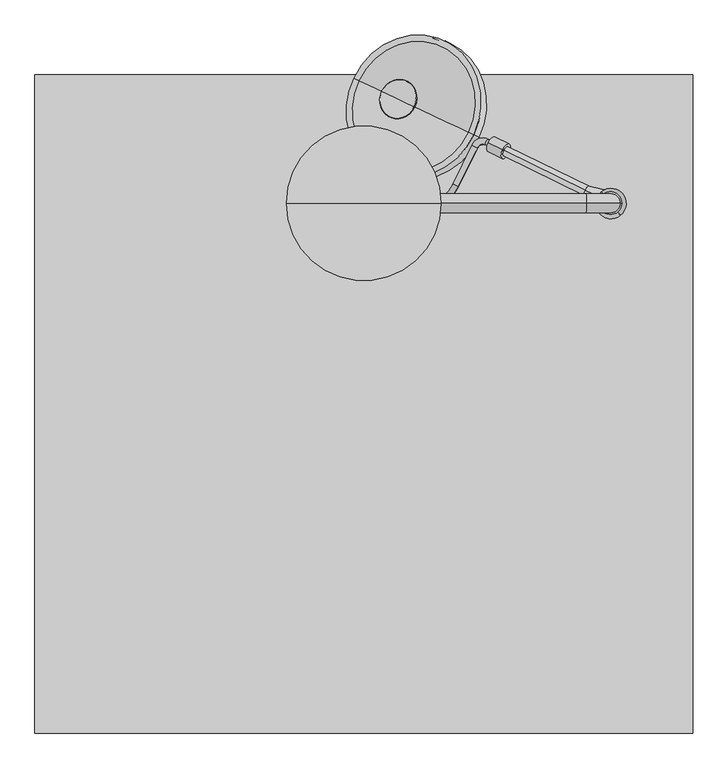
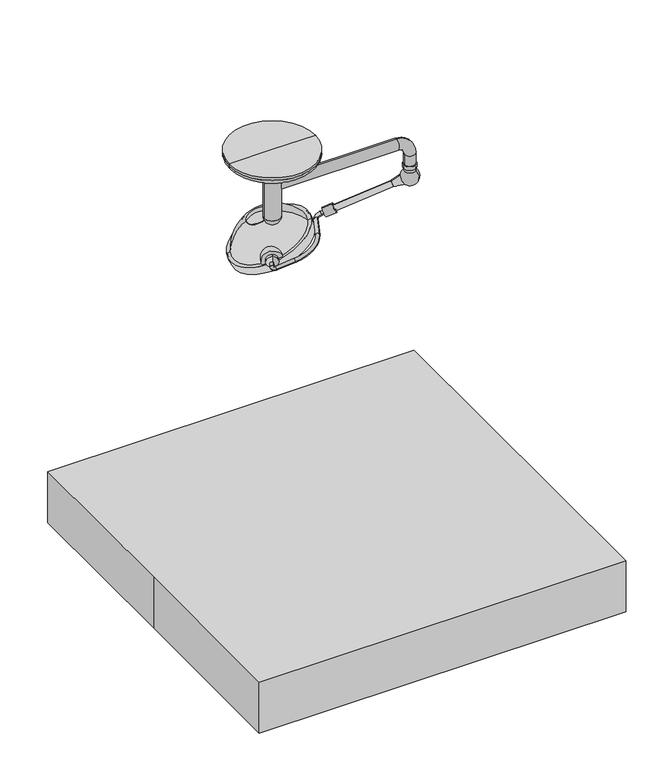
"""IFC4 building model written with IfcOpenShell, lengths in millimetres: proxy geometry."""

from ifc_helpers import new_model, si_unit, point, frame, frame_2d, origin, origin_with_axes, origin_2d, place, context, project, spatial, polyline, circle_curve, ellipse_curve, trimmed, segment, composite_curve, outline, extrude, source, transform, mapped, element, save
from ifc_brep_helpers import plane_surface, cylinder_surface, revolved_surface, advanced_brep


def specialty_equipment_fde39105(model_context):
    return source(origin(), model_context, "Body", "SolidModel", [
        advanced_brep(
        [(51.3241797, 908.0178384, 1699.7604265), (72.1798458, 897.8458503, 1710.0915373), (30.6483179, 865.6260395, 1699.7604265), (51.503984, 855.4540515, 1710.0915373), (56.3645035, 838.953373, 1715.2570926), (45.2298764, 816.1240043, 1715.2570926), (148.7448243, 765.6363908, 1766.5344952), (159.8794514, 788.4657596, 1766.5344952), (351.8212111, 864.410044, 1828.5211596), (372.6768772, 854.238056, 1838.8522704), (446.9378356, 1006.4955842, 1838.8522704), (426.0821694, 1016.6675722, 1828.5211596), (490.062756, 1041.9823337, 1849.1833811), (478.9281288, 1019.1529649, 1849.1833811), (557.8921303, 980.6396481, 1888.2991704), (569.0267574, 1003.4690168, 1888.2991704)],
        [
            (0, 1, circle_curve(frame((61.7520127, 902.9318443, 1704.9259819), z_axis=(0.4383711467890926, 0.8987940462991595, 0.0), x_axis=(0.8210892183528103, -0.4004719699107539, 0.4067366430758007)), 12.7)),
            (1, 0, circle_curve(frame((61.7520127, 902.9318443, 1704.9259819), z_axis=(0.4383711467890926, 0.8987940462991595, 0.0), x_axis=(0.8210892183528103, -0.4004719699107539, 0.4067366430758007)), 12.7)),
            (0, 2),
            (2, 3, circle_curve(frame((41.0761509, 860.5400455, 1704.9259819), z_axis=(0.4383711467890926, 0.8987940462991595, 0.0), x_axis=(0.8210892183528103, -0.4004719699107539, 0.4067366430758007)), 12.7)),
            (3, 1),
            (3, 2, circle_curve(frame((41.0761509, 860.5400455, 1704.9259819), z_axis=(0.4383711467890926, 0.8987940462991595, 0.0), x_axis=(0.8210892183528103, -0.4004719699107539, 0.4067366430758007)), 12.7)),
            (4, 3, circle_curve(frame((61.9318171, 850.3680574, 1715.2570926), z_axis=(0.36557247320823616, -0.17830160866628347, -0.9135454576426008), x_axis=(-0.8210892183528108, 0.40047196991075346, -0.40673664307580043)), 12.7)),
            (2, 5, circle_curve(frame((61.9318171, 850.3680574, 1715.2570926), z_axis=(-0.36557247320823616, 0.17830160866628347, 0.9135454576426008), x_axis=(-0.8210892183528108, 0.40047196991075346, -0.40673664307580043)), 38.1)),
            (5, 4, circle_curve(frame((50.79719, 827.5386887, 1715.2570926), z_axis=(-0.821089218352811, 0.400471969910753, -0.4067366430758003), x_axis=(0.4383711467890919, 0.8987940462991603, 0.0)), 12.7)),
            (4, 5, circle_curve(frame((50.79719, 827.5386887, 1715.2570926), z_axis=(-0.8210892183528203, 0.40047196991073386, -0.4067366430758003), x_axis=(0.4383711467890744, 0.8987940462991688, 0.0)), 12.7)),
            (5, 6),
            (6, 7, circle_curve(frame((154.3121378, 777.0510752, 1766.5344952), z_axis=(-0.8210892183528108, 0.40047196991075357, -0.40673664307580026), x_axis=(0.4383711467890922, 0.8987940462991598, 0.0)), 12.7)),
            (7, 4),
            (7, 6, circle_curve(frame((154.3121378, 777.0510752, 1766.5344952), z_axis=(-0.8210892183528108, 0.40047196991075357, -0.40673664307580026), x_axis=(0.4383711467890922, 0.8987940462991598, 0.0)), 12.7)),
            (8, 7, circle_curve(frame((226.6872142, 925.4419722, 1766.5344952), z_axis=(0.36557247320823616, -0.17830160866628347, -0.9135454576426008), x_axis=(-0.43837114678909817, -0.8987940462991569, 0.0)), 152.4)),
            (6, 9, circle_curve(frame((226.6872142, 925.4419722, 1766.5344952), z_axis=(-0.36557247320823616, 0.17830160866628347, 0.9135454576426008), x_axis=(-0.43837114678909817, -0.8987940462991569, 0.0)), 177.8)),
            (9, 8, circle_curve(frame((362.2490441, 859.32405, 1833.686715), z_axis=(-0.438371146789091, -0.8987940462991604, 0.0), x_axis=(-0.8210892183528118, 0.40047196991075223, -0.40673664307579993)), 12.7)),
            (8, 9, circle_curve(frame((362.2490441, 859.32405, 1833.686715), z_axis=(-0.4383711467890886, -0.8987940462991616, 0.0), x_axis=(-0.8210892183528131, 0.4004719699107496, -0.40673664307579993)), 12.7)),
            (9, 10),
            (10, 11, circle_curve(frame((436.5100025, 1011.5815782, 1833.686715), z_axis=(-0.43837114678909095, -0.8987940462991604, 0.0), x_axis=(-0.8210892183528117, 0.400471969910752, -0.4067366430758)), 12.7)),
            (11, 8),
            (11, 10, circle_curve(frame((436.5100025, 1011.5815782, 1833.686715), z_axis=(-0.43837114678909095, -0.8987940462991604, 0.0), x_axis=(-0.8210892183528117, 0.400471969910752, -0.4067366430758)), 12.7)),
            (12, 11, circle_curve(frame((467.7935017, 996.3235961, 1849.1833811), z_axis=(-0.36557247320823616, 0.17830160866628347, 0.9135454576426008), x_axis=(-0.8210892183528132, 0.40047196991074846, -0.40673664307580043)), 50.8)),
            (10, 13, circle_curve(frame((467.7935017, 996.3235961, 1849.1833811), z_axis=(0.36557247320823616, -0.17830160866628347, -0.9135454576426008), x_axis=(-0.8210892183528132, 0.40047196991074846, -0.40673664307580043)), 25.4)),
            (13, 12, circle_curve(frame((484.4954424, 1030.5676493, 1849.1833811), z_axis=(-0.8210892183528112, 0.4004719699107527, -0.4067366430758003), x_axis=(0.4383711467890915, 0.8987940462991605, 0.0)), 12.7)),
            (12, 13, circle_curve(frame((484.4954424, 1030.5676493, 1849.1833811), z_axis=(-0.8210892183528147, 0.40047196991074546, -0.4067366430758003), x_axis=(0.43837114678908495, 0.8987940462991637, 0.0)), 12.7)),
            (14, 15, circle_curve(frame((563.4594439, 992.0543325, 1888.2991704), z_axis=(0.8210892183528123, -0.4004719699107504, 0.4067366430757997), x_axis=(0.4383711467890893, 0.8987940462991613, 0.0)), 12.7)),
            (15, 14, circle_curve(frame((563.4594439, 992.0543325, 1888.2991704), z_axis=(0.8210892183528123, -0.4004719699107504, 0.4067366430757997), x_axis=(0.4383711467890893, 0.8987940462991613, 0.0)), 12.7)),
            (13, 14),
            (15, 12),
        ],
        [
            plane_surface(frame((671.2712366, 605.6494555, 181.7710423), z_axis=(0.43837114678909284, 0.8987940462991596, 0.0), x_axis=(-0.36557247320823627, 0.17830160866628333, 0.9135454576426009))),
            cylinder_surface(frame((61.7520127, 902.9318443, 1704.9259819), z_axis=(0.4383711467890927, 0.8987940462991597, 0.0), x_axis=(0.8210892183528103, -0.4004719699107539, 0.4067366430758007)), 12.7),
            revolved_surface(trimmed(ellipse_curve(frame((41.0761509, 860.5400455, 1704.9259819), z_axis=(0.4383711467890919, 0.8987940462991603, 0.0), x_axis=(0.8210892183528109, -0.4004719699107529, 0.4067366430758007)), 12.7, 12.7), [point((30.6483179, 865.6260395, 1699.7604265))], [point((51.503984, 855.4540515, 1710.0915373))], True, "CARTESIAN"), (671.451041, 553.0856686, 192.1021531), (-0.3655724732082362, 0.1783016086662835, 0.913545457642601)),
            revolved_surface(trimmed(ellipse_curve(frame((41.0761509, 860.5400455, 1704.9259819), z_axis=(0.4383711467890919, 0.8987940462991603, 0.0), x_axis=(0.8210892183528109, -0.4004719699107529, 0.4067366430758007)), 12.7, 12.7), [point((51.503984, 855.4540515, 1710.0915373))], [point((30.6483179, 865.6260395, 1699.7604265))], True, "CARTESIAN"), (671.451041, 553.0856686, 192.1021531), (-0.3655724732082362, 0.1783016086662835, 0.913545457642601)),
            cylinder_surface(frame((50.79719, 827.5386887, 1715.2570926), z_axis=(-0.8210892183528108, 0.40047196991075357, -0.40673664307580026), x_axis=(0.4383711467890922, 0.8987940462991598, 0.0)), 12.7),
            revolved_surface(trimmed(ellipse_curve(frame((154.3121378, 777.0510752, 1766.5344952), z_axis=(-0.821089218352808, 0.40047196991075945, -0.40673664307580043), x_axis=(0.4383711467890975, 0.8987940462991573, 0.0)), 12.7, 12.7), [point((148.7448243, 765.6363908, 1766.5344952))], [point((159.8794514, 788.4657596, 1766.5344952))], True, "CARTESIAN"), (836.2064381, 628.1595834, 243.3795556), (-0.3655724732082362, 0.1783016086662835, 0.913545457642601)),
            revolved_surface(trimmed(ellipse_curve(frame((154.3121378, 777.0510752, 1766.5344952), z_axis=(-0.821089218352808, 0.40047196991075945, -0.40673664307580043), x_axis=(0.4383711467890975, 0.8987940462991573, 0.0)), 12.7, 12.7), [point((159.8794514, 788.4657596, 1766.5344952))], [point((148.7448243, 765.6363908, 1766.5344952))], True, "CARTESIAN"), (836.2064381, 628.1595834, 243.3795556), (-0.3655724732082362, 0.1783016086662835, 0.913545457642601)),
            cylinder_surface(frame((362.2490441, 859.32405, 1833.686715), z_axis=(-0.43837114678909106, -0.8987940462991606, 0.0), x_axis=(-0.8210892183528117, 0.400471969910752, -0.4067366430758)), 12.7),
            revolved_surface(trimmed(ellipse_curve(frame((436.5100025, 1011.5815782, 1833.686715), z_axis=(-0.4383711467890874, -0.8987940462991625, 0.0), x_axis=(-0.8210892183528137, 0.400471969910748, -0.4067366430758)), 12.7, 12.7), [point((446.9378356, 1006.4955842, 1838.8522704))], [point((426.0821694, 1016.6675722, 1828.5211596))], True, "CARTESIAN"), (1077.3127256, 699.0412073, 326.0284415), (0.3655724732082362, -0.1783016086662835, -0.913545457642601)),
            revolved_surface(trimmed(ellipse_curve(frame((436.5100025, 1011.5815782, 1833.686715), z_axis=(-0.4383711467890874, -0.8987940462991625, 0.0), x_axis=(-0.8210892183528137, 0.400471969910748, -0.4067366430758)), 12.7, 12.7), [point((426.0821694, 1016.6675722, 1828.5211596))], [point((446.9378356, 1006.4955842, 1838.8522704))], True, "CARTESIAN"), (1077.3127256, 699.0412073, 326.0284415), (0.3655724732082362, -0.1783016086662835, -0.913545457642601)),
            plane_surface(frame((1172.9786678, 694.7719436, 365.1442308), z_axis=(0.8210892183528122, -0.400471969910751, 0.4067366430757998), x_axis=(-0.3655724732082356, 0.1783016086662833, 0.9135454576426012))),
            cylinder_surface(frame((484.4954424, 1030.5676493, 1849.1833811), z_axis=(-0.8210892183528126, 0.4004719699107505, -0.4067366430757998), x_axis=(0.4383711467890893, 0.8987940462991613, 0.0)), 12.7),
        ],
        [
            (0, [[1, 2]]),
            (1, [[-1, 3, 4, 5]]),
            (1, [[-2, -5, 6, -3]]),
            (2, [[7, -4, 8, 9]]),
            (3, [[-8, -6, -7, 10]]),
            (4, [[-9, 11, 12, 13]]),
            (4, [[-10, -13, 14, -11]]),
            (5, [[15, -12, 16, 17]]),
            (6, [[-16, -14, -15, 18]]),
            (7, [[-17, 19, 20, 21]]),
            (7, [[-18, -21, 22, -19]]),
            (8, [[23, -20, 24, 25]]),
            (9, [[-24, -22, -23, 26]]),
            (10, [[27, 28]]),
            (11, [[-25, 29, -28, 30]]),
            (11, [[-26, -30, -27, -29]]),
        ],
    ),
        advanced_brep(
        [(70.9853036, 912.17035, 1662.093259), (70.9853036, 912.17035, 1743.3108067), (79.9012214, 931.0005545, 1743.3108067), (79.9012214, 931.0005545, 1662.093259), (59.9841849, 888.936251, 1702.7020328), (79.9012214, 931.0005545, 1702.7020328)],
        [
            (0, 1, circle_curve(frame((70.9853036, 912.17035, 1702.7020328), z_axis=(0.4279431442574093, 0.903805656810734, 0.0), x_axis=(0.0, 0.0, 1.0)), 40.6087738)),
            (1, 2),
            (2, 3, circle_curve(frame((79.9012214, 931.0005545, 1702.7020328), z_axis=(-0.4279431442574093, -0.903805656810734, 0.0), x_axis=(0.0, 0.0, 1.0)), 40.6087738)),
            (3, 0),
            (1, 0, circle_curve(frame((70.9853036, 912.17035, 1702.7020328), z_axis=(0.4279431442574093, 0.903805656810734, 0.0), x_axis=(0.0, 0.0, 1.0)), 40.6087738)),
            (3, 2, circle_curve(frame((79.9012214, 931.0005545, 1702.7020328), z_axis=(-0.4279431442574093, -0.903805656810734, 0.0), x_axis=(0.0, 0.0, 1.0)), 40.6087738)),
            (4, 1, circle_curve(frame((83.4268503, 938.4465982, 1696.4653606), z_axis=(-0.9038056568107339, 0.42794314425740954, 0.0), x_axis=(0.4279431442574097, 0.9038056568107338, 0.0)), 55.1337385)),
            (0, 4, circle_curve(frame((83.4268503, 938.4465982, 1708.9387051), z_axis=(-0.9038056568107343, 0.42794314425740876, 0.0), x_axis=(0.4279431442574089, 0.9038056568107342, 0.0)), 55.1337385)),
            (2, 5),
            (5, 3),
        ],
        [
            cylinder_surface(frame((79.9012214, 931.0005545, 1702.7020328), z_axis=(-0.4279431442574093, -0.903805656810734, 0.0), x_axis=(0.0, 0.0, 1.0)), 40.6087738),
            revolved_surface(trimmed(ellipse_curve(frame((83.4268503, 938.4465982, 1696.4653606), z_axis=(0.9038056568107339, -0.42794314425740954, 0.0), x_axis=(0.4279431442574097, 0.9038056568107338, 0.0)), 55.1337385, 55.1337385), [point((70.9853036, 912.17035, 1743.3108067))], [point((59.9841849, 888.936251, 1702.7020328))], True, "CARTESIAN"), (79.9012214, 931.0005545, 1702.7020328), (-0.4279431442574093, -0.903805656810734, 0.0)),
            revolved_surface(trimmed(ellipse_curve(frame((83.4268503, 938.4465982, 1696.4653606), z_axis=(0.9038056568107339, -0.4279431442574097, 0.0), x_axis=(0.42794314425740987, 0.9038056568107338, 0.0)), 55.1337385, 55.1337385), [point((70.9853036, 912.17035, 1743.3108067))], [point((59.9841849, 888.936251, 1702.7020328))], True, "CARTESIAN"), (79.9012214, 931.0005545, 1702.7020328), (-0.4279431442574093, -0.903805656810734, 0.0)),
            plane_surface(frame((79.9012214, 931.0005545, 1702.7020328), z_axis=(0.42794314425740915, 0.9038056568107341, 0.0), x_axis=(0.0, 0.0, 1.0))),
        ],
        [
            (0, [[1, 2, 3, 4]]),
            (0, [[5, -4, 6, -2]]),
            (1, [[7, -1, 8]]),
            (2, [[-8, -5, -7]]),
            (3, [[-3, 9, 10]]),
            (3, [[-6, -10, -9]]),
        ],
    ),
        advanced_brep(
        [(198.2891405, 1170.0305938, 1882.6946884), (70.3964825, 1230.5865173, 1819.6927814), (123.8504881, 1205.2765681, 1877.268084), (200.9060117, 1168.7915308, 1880.0876662), (70.3964825, 1230.5865173, 1815.7966478), (129.8474904, 1202.4370461, 1862.3650044)],
        [
            (0, 1, circle_curve(frame((134.3428115, 1200.3085555, 1851.1937349), z_axis=(-0.367610878844116, 0.17406015792256127, 0.9135454576426013), x_axis=(-0.825667552371134, 0.3909455155656486, -0.4067366430757995)), 77.4480344)),
            (1, 2, circle_curve(frame((222.0261973, 1158.7913294, 1706.5205002), z_axis=(0.42794314425740937, 0.903805656810734, 0.0), x_axis=(0.903805656810734, -0.4279431442574095, 0.0)), 202.3711557)),
            (2, 0, circle_curve(frame((172.8421817, 1182.07948, 1682.2916913), z_axis=(0.4279431442574066, 0.9038056568107353, 0.0), x_axis=(-0.6047640271723351, 0.28634985560407467, -0.7431448254773929)), 202.3711557)),
            (1, 0, circle_curve(frame((134.3428115, 1200.3085555, 1851.1937349), z_axis=(-0.367610878844116, 0.17406015792256127, 0.9135454576426013), x_axis=(-0.825667552371134, 0.3909455155656486, -0.4067366430757995)), 77.4480344)),
            (3, 4, circle_curve(frame((135.6512471, 1199.689024, 1847.942157), z_axis=(-0.367610878844116, 0.17406015792256127, 0.9135454576426013), x_axis=(-0.825667552371134, 0.3909455155656486, -0.4067366430757995)), 79.0327347)),
            (4, 1),
            (0, 3),
            (4, 3, circle_curve(frame((135.6512471, 1199.689024, 1847.942157), z_axis=(-0.367610878844116, 0.17406015792256127, 0.9135454576426013), x_axis=(-0.825667552371134, 0.3909455155656486, -0.4067366430757995)), 79.0327347)),
            (5, 4, circle_curve(frame((246.9439851, 1146.9930004, 1609.6195886), z_axis=(-0.42794314425740937, -0.903805656810734, 0.0), x_axis=(0.903805656810734, -0.4279431442574095, 0.0)), 284.0173877)),
            (3, 5, circle_curve(frame((221.2532479, 1159.1573133, 1596.9639329), z_axis=(-0.4279431442574066, -0.9038056568107353, 0.0), x_axis=(-0.6047640271723351, 0.28634985560407467, -0.7431448254773929)), 284.0173877)),
        ],
        [
            revolved_surface(trimmed(ellipse_curve(frame((222.0261973, 1158.7913294, 1706.5205002), z_axis=(-0.42794314425740937, -0.903805656810734, 0.0), x_axis=(0.903805656810734, -0.4279431442574095, 0.0)), 202.3711557, 202.3711557), [point((123.8504881, 1205.2765681, 1877.268084))], [point((70.3964825, 1230.5865173, 1819.6927814))], True, "CARTESIAN"), (169.8512246, 1183.495669, 1762.9521965), (0.367610878844116, -0.17406015792256127, -0.9135454576426013)),
            revolved_surface(trimmed(ellipse_curve(frame((222.0261973, 1158.7913294, 1706.5205002), z_axis=(-0.42794314425740965, -0.9038056568107342, 0.0), x_axis=(0.903805656810734, -0.4279431442574096, 0.0)), 202.3711557, 202.3711557), [point((123.8504881, 1205.2765681, 1877.268084))], [point((70.3964825, 1230.5865173, 1819.6927814))], True, "CARTESIAN"), (169.8512246, 1183.495669, 1762.9521965), (0.367610878844116, -0.17406015792256127, -0.9135454576426013)),
            revolved_surface(polyline([(70.3964825, 1230.5865173, 1819.6927814), (70.3964825, 1230.5865173, 1815.7966478)]), (169.8512246, 1183.495669, 1762.9521965), (0.367610878844116, -0.17406015792256127, -0.9135454576426013)),
            revolved_surface(trimmed(ellipse_curve(frame((246.9439851, 1146.9930004, 1609.6195886), z_axis=(0.42794314425740937, 0.903805656810734, 0.0), x_axis=(0.903805656810734, -0.4279431442574095, 0.0)), 284.0173877, 284.0173877), [point((70.3964825, 1230.5865173, 1815.7966478))], [point((129.8474904, 1202.4370461, 1862.3650044))], True, "CARTESIAN"), (169.8512246, 1183.495669, 1762.9521965), (0.367610878844116, -0.17406015792256127, -0.9135454576426013)),
            revolved_surface(trimmed(ellipse_curve(frame((246.9439851, 1146.9930004, 1609.6195886), z_axis=(0.42794314425740965, 0.9038056568107342, 0.0), x_axis=(0.903805656810734, -0.4279431442574096, 0.0)), 284.0173877, 284.0173877), [point((70.3964825, 1230.5865173, 1815.7966478))], [point((129.8474904, 1202.4370461, 1862.3650044))], True, "CARTESIAN"), (169.8512246, 1183.495669, 1762.9521965), (0.367610878844116, -0.17406015792256127, -0.9135454576426013)),
        ],
        [
            (0, [[1, 2, 3]]),
            (1, [[4, -3, -2]]),
            (2, [[5, 6, -1, 7]]),
            (2, [[8, -7, -4, -6]]),
            (3, [[9, -5, 10]]),
            (4, [[-10, -8, -9]]),
        ],
    ),
        advanced_brep(
        [(266.4821549, 1137.741868, 1522.8158117), (276.9681328, 1132.77686, 1527.9813671), (255.996177, 1142.7068761, 1517.6502563), (263.0629437, 1139.3608311, 1507.6425198), (278.9613242, 1131.8331033, 1515.4743086), (271.0121339, 1135.5969672, 1511.5584142)],
        [
            (0, 1),
            (1, 2, circle_curve(frame((266.4821549, 1137.741868, 1522.8158117), z_axis=(-0.3676108788441159, 0.1740601579225613, 0.9135454576426013), x_axis=(0.825667552371134, -0.3909455155656486, 0.40673664307579943)), 12.7)),
            (2, 0),
            (2, 1, circle_curve(frame((266.4821549, 1137.741868, 1522.8158117), z_axis=(-0.3676108788441159, 0.1740601579225613, 0.9135454576426013), x_axis=(0.825667552371134, -0.3909455155656486, 0.40673664307579943)), 12.7)),
            (3, 4, circle_curve(frame((271.0121339, 1135.5969672, 1511.5584142), z_axis=(0.3676108788441159, -0.1740601579225613, -0.9135454576426013), x_axis=(0.825667552371134, -0.3909455155656486, 0.40673664307579943)), 9.6275919)),
            (4, 5),
            (5, 3),
            (4, 3, circle_curve(frame((271.0121339, 1135.5969672, 1511.5584142), z_axis=(0.3676108788441159, -0.1740601579225613, -0.9135454576426013), x_axis=(0.825667552371134, -0.3909455155656486, 0.40673664307579943)), 9.6275919)),
            (1, 4),
            (3, 2),
        ],
        [
            plane_surface(frame((266.4821549, 1137.741868, 1522.8158117), z_axis=(-0.367610878844116, 0.17406015792256121, 0.9135454576426014), x_axis=(0.8256675523711339, -0.39094551556564855, 0.4067366430757994))),
            plane_surface(frame((271.0121339, 1135.5969672, 1511.5584142), z_axis=(0.367610878844116, -0.17406015792256121, -0.9135454576426014), x_axis=(0.8256675523711339, -0.39094551556564855, 0.4067366430757994))),
            revolved_surface(polyline([(278.9613242, 1131.8331033, 1515.4743086), (276.9681328, 1132.77686, 1527.9813671)]), (229.1328896, 1155.4263801, 1615.6320302), (-0.3676108788441159, 0.1740601579225613, 0.9135454576426013)),
        ],
        [
            (0, [[1, 2, 3]]),
            (0, [[-3, 4, -1]]),
            (1, [[5, 6, 7]]),
            (1, [[8, -7, -6]]),
            (2, [[-2, 9, -5, 10]]),
            (2, [[-4, -10, -8, -9]]),
        ],
    ),
        advanced_brep(
        [(229.1328896, 1155.4263801, 1615.6320302), (244.8618565, 1147.978868, 1623.3803632), (213.4039227, 1162.8738921, 1607.8836971), (250.753188, 1145.1893801, 1515.0674786), (282.2111217, 1130.2943559, 1530.5641447), (266.4821549, 1137.741868, 1522.8158117)],
        [
            (0, 1),
            (1, 2, circle_curve(frame((229.1328896, 1155.4263801, 1615.6320302), z_axis=(-0.3676108788441159, 0.1740601579225613, 0.9135454576426013), x_axis=(0.825667552371134, -0.3909455155656486, 0.40673664307579943)), 19.05)),
            (2, 0),
            (2, 1, circle_curve(frame((229.1328896, 1155.4263801, 1615.6320302), z_axis=(-0.3676108788441159, 0.1740601579225613, 0.9135454576426013), x_axis=(0.825667552371134, -0.3909455155656486, 0.40673664307579943)), 19.05)),
            (3, 4, circle_curve(frame((266.4821549, 1137.741868, 1522.8158117), z_axis=(0.3676108788441159, -0.1740601579225613, -0.9135454576426013), x_axis=(0.825667552371134, -0.3909455155656486, 0.40673664307579943)), 19.05)),
            (4, 5),
            (5, 3),
            (4, 3, circle_curve(frame((266.4821549, 1137.741868, 1522.8158117), z_axis=(0.3676108788441159, -0.1740601579225613, -0.9135454576426013), x_axis=(0.825667552371134, -0.3909455155656486, 0.40673664307579943)), 19.05)),
            (1, 4),
            (3, 2),
        ],
        [
            plane_surface(frame((229.1328896, 1155.4263801, 1615.6320302), z_axis=(-0.367610878844116, 0.17406015792256121, 0.9135454576426014), x_axis=(0.8256675523711339, -0.39094551556564855, 0.4067366430757994))),
            plane_surface(frame((266.4821549, 1137.741868, 1522.8158117), z_axis=(0.367610878844116, -0.17406015792256121, -0.9135454576426014), x_axis=(0.8256675523711339, -0.39094551556564855, 0.4067366430757994))),
            cylinder_surface(frame((229.1328896, 1155.4263801, 1615.6320302), z_axis=(-0.3676108788441159, 0.1740601579225613, 0.9135454576426013), x_axis=(0.825667552371134, -0.3909455155656486, 0.40673664307579943)), 19.05),
        ],
        [
            (0, [[1, 2, 3]]),
            (0, [[-3, 4, -1]]),
            (1, [[5, 6, 7]]),
            (1, [[8, -7, -6]]),
            (2, [[-2, 9, -5, 10]]),
            (2, [[-4, -10, -8, -9]]),
        ],
    ),
        advanced_brep(
        [(222.1299023, 1158.7422261, 1633.0350712), (258.830825, 1141.3646979, 1651.1145149), (185.4289796, 1176.1197542, 1614.9556274), (192.4319669, 1172.8039082, 1597.5525864), (265.8338123, 1138.0488519, 1633.711474), (229.1328896, 1155.4263801, 1615.6320302)],
        [
            (0, 1),
            (1, 2, circle_curve(frame((222.1299023, 1158.7422261, 1633.0350712), z_axis=(-0.36761087884411536, 0.17406015792256102, 0.9135454576426016), x_axis=(0.8256675523711342, -0.3909455155656487, 0.4067366430757988)), 44.45)),
            (2, 0),
            (2, 1, circle_curve(frame((222.1299023, 1158.7422261, 1633.0350712), z_axis=(-0.36761087884411536, 0.17406015792256102, 0.9135454576426016), x_axis=(0.8256675523711342, -0.3909455155656487, 0.4067366430757988)), 44.45)),
            (3, 4, circle_curve(frame((229.1328896, 1155.4263801, 1615.6320302), z_axis=(0.36761087884411536, -0.17406015792256102, -0.9135454576426016), x_axis=(0.8256675523711342, -0.3909455155656487, 0.4067366430757988)), 44.45)),
            (4, 5),
            (5, 3),
            (4, 3, circle_curve(frame((229.1328896, 1155.4263801, 1615.6320302), z_axis=(0.36761087884411536, -0.17406015792256102, -0.9135454576426016), x_axis=(0.8256675523711342, -0.3909455155656487, 0.4067366430757988)), 44.45)),
            (1, 4),
            (3, 2),
        ],
        [
            plane_surface(frame((222.1299023, 1158.7422261, 1633.0350712), z_axis=(-0.3676108788441154, 0.17406015792256094, 0.9135454576426016), x_axis=(0.8256675523711341, -0.39094551556564866, 0.40673664307579876))),
            plane_surface(frame((229.1328896, 1155.4263801, 1615.6320302), z_axis=(0.3676108788441154, -0.17406015792256094, -0.9135454576426016), x_axis=(0.8256675523711341, -0.39094551556564866, 0.40673664307579876))),
            cylinder_surface(frame((222.1299023, 1158.7422261, 1633.0350712), z_axis=(-0.36761087884411536, 0.17406015792256102, 0.9135454576426016), x_axis=(0.8256675523711342, -0.3909455155656487, 0.4067366430757988)), 44.45),
        ],
        [
            (0, [[1, 2, 3]]),
            (0, [[-3, 4, -1]]),
            (1, [[5, 6, 7]]),
            (1, [[8, -7, -6]]),
            (2, [[-2, 9, -5, 10]]),
            (2, [[-4, -10, -8, -9]]),
        ],
    ),
        advanced_brep(
        [(217.8648709, 1160.7616768, 1643.6340505), (265.0517715, 1138.4191406, 1666.8790497), (170.6779703, 1183.104213, 1620.3890514), (179.2080332, 1179.0653116, 1611.8910927), (265.0517715, 1138.4191406, 1654.1790497), (222.1299023, 1158.7422261, 1633.0350712)],
        [
            (0, 1),
            (1, 2, circle_curve(frame((217.8648709, 1160.7616768, 1643.6340505), z_axis=(-0.36761087884411614, 0.1740601579225614, 0.9135454576426012), x_axis=(0.8256675523711339, -0.39094551556564855, 0.4067366430757997)), 57.15)),
            (2, 0),
            (2, 1, circle_curve(frame((217.8648709, 1160.7616768, 1643.6340505), z_axis=(-0.36761087884411614, 0.1740601579225614, 0.9135454576426012), x_axis=(0.8256675523711339, -0.39094551556564855, 0.4067366430757997)), 57.15)),
            (3, 4, circle_curve(frame((222.1299023, 1158.7422261, 1633.0350712), z_axis=(0.36761087884411614, -0.1740601579225614, -0.9135454576426012), x_axis=(0.8256675523711339, -0.39094551556564855, 0.4067366430757997)), 51.9844446)),
            (4, 5),
            (5, 3),
            (4, 3, circle_curve(frame((222.1299023, 1158.7422261, 1633.0350712), z_axis=(0.36761087884411614, -0.1740601579225614, -0.9135454576426012), x_axis=(0.8256675523711339, -0.39094551556564855, 0.4067366430757997)), 51.9844446)),
            (1, 4),
            (3, 2),
        ],
        [
            plane_surface(frame((217.8648709, 1160.7616768, 1643.6340505), z_axis=(-0.36761087884411625, 0.17406015792256133, 0.9135454576426013), x_axis=(0.8256675523711338, -0.3909455155656485, 0.40673664307579965))),
            plane_surface(frame((222.1299023, 1158.7422261, 1633.0350712), z_axis=(0.36761087884411625, -0.17406015792256133, -0.9135454576426013), x_axis=(0.8256675523711338, -0.3909455155656485, 0.40673664307579965))),
            revolved_surface(polyline([(265.0517715, 1138.4191406, 1654.1790497), (265.0517715, 1138.4191406, 1666.8790497)]), (217.8648709, 1160.7616768, 1643.6340505), (-0.36761087884411614, 0.1740601579225614, 0.9135454576426012)),
        ],
        [
            (0, [[1, 2, 3]]),
            (0, [[-3, 4, -1]]),
            (1, [[5, 6, 7]]),
            (1, [[8, -7, -6]]),
            (2, [[-2, 9, -5, 10]]),
            (2, [[-4, -10, -8, -9]]),
        ],
    ),
        extrude(outline(composite_curve([segment(trimmed(circle_curve(frame_2d((0.0, -69.9387006)), 69.9387006), [point((25.1937137, -4.6953207))], [point((-31.6273953, -132.3176211))], False, "CARTESIAN"), True, "CONTINUOUS"), segment(polyline([(-31.6273953, -132.3176211), (25.1937137, -4.6953207)]), True, "CONTINUOUS")], self_intersect=False)), frame((144.6400085, 900.3473716, 1699.0600142), z_axis=(0.42794314425740915, 0.9038056568107341, 0.0), x_axis=(0.0, 0.0, 1.0)), (0.0, 0.0, 1.0), 84.2600986),
        advanced_brep(
        [(411.8184564, 1068.9265498, 1801.7370584), (-18.1066381, 1272.4918798, 1589.9492884), (129.8408016, 1202.4402132, 1862.3816266), (406.0906916, 1071.6385905, 1798.9154726), (-12.3788733, 1269.7798391, 1592.7708742), (132.17953, 1201.3328482, 1856.5696802)],
        [
            (0, 1, circle_curve(frame((196.8559092, 1170.7092148, 1695.8431734), z_axis=(-0.3676108788441161, 0.17406015792256135, 0.9135454576426013), x_axis=(-0.825667552371134, 0.3909455155656486, -0.4067366430757996)), 260.35)),
            (1, 2, circle_curve(frame((256.5953432, 1142.4231767, 1592.718951), z_axis=(0.4279431442574095, 0.903805656810734, 0.0), x_axis=(0.9038056568107341, -0.4279431442574096, 0.0)), 303.9518334)),
            (2, 0, circle_curve(frame((226.1466857, 1156.8403184, 1577.7194701), z_axis=(0.4279431442574066, 0.9038056568107353, 0.0), x_axis=(-0.6047640271723351, 0.2863498556040747, -0.7431448254773931)), 303.9518334)),
            (1, 0, circle_curve(frame((196.8559092, 1170.7092148, 1695.8431734), z_axis=(-0.3676108788441161, 0.17406015792256135, 0.9135454576426013), x_axis=(-0.825667552371134, 0.3909455155656486, -0.4067366430757996)), 260.35)),
            (3, 4, circle_curve(frame((196.8559092, 1170.7092148, 1695.8431734), z_axis=(-0.3676108788441161, 0.17406015792256135, 0.9135454576426013), x_axis=(-0.825667552371134, 0.3909455155656486, -0.4067366430757996)), 253.412868)),
            (4, 1),
            (0, 3),
            (4, 3, circle_curve(frame((196.8559092, 1170.7092148, 1695.8431734), z_axis=(-0.3676108788441161, 0.17406015792256135, 0.9135454576426013), x_axis=(-0.825667552371134, 0.3909455155656486, -0.4067366430757996)), 253.412868)),
            (5, 4, circle_curve(frame((256.5953432, 1142.4231767, 1592.718951), z_axis=(-0.4279431442574095, -0.903805656810734, 0.0), x_axis=(0.9038056568107341, -0.4279431442574096, 0.0)), 297.6018334)),
            (3, 5, circle_curve(frame((226.1466857, 1156.8403184, 1577.7194701), z_axis=(-0.4279431442574066, -0.9038056568107353, 0.0), x_axis=(-0.6047640271723351, 0.2863498556040747, -0.7431448254773931)), 297.6018334)),
        ],
        [
            revolved_surface(trimmed(ellipse_curve(frame((256.5953432, 1142.4231767, 1592.718951), z_axis=(-0.4279431442574095, -0.903805656810734, 0.0), x_axis=(0.9038056568107341, -0.4279431442574096, 0.0)), 303.9518334, 303.9518334), [point((129.8408016, 1202.4402132, 1862.3816266))], [point((-18.1066381, 1272.4918798, 1589.9492884))], True, "CARTESIAN"), (196.8559092, 1170.7092148, 1695.8431734), (0.3676108788441161, -0.17406015792256135, -0.9135454576426013)),
            revolved_surface(trimmed(ellipse_curve(frame((256.5953432, 1142.4231767, 1592.718951), z_axis=(-0.4279431442574094, -0.9038056568107338, 0.0), x_axis=(0.9038056568107341, -0.42794314425740954, 0.0)), 303.9518334, 303.9518334), [point((129.8408016, 1202.4402132, 1862.3816266))], [point((-18.1066381, 1272.4918798, 1589.9492884))], True, "CARTESIAN"), (196.8559092, 1170.7092148, 1695.8431734), (0.3676108788441161, -0.17406015792256135, -0.9135454576426013)),
            plane_surface(frame((196.8559092, 1170.7092148, 1695.8431734), z_axis=(0.36761087884411614, -0.17406015792256127, -0.9135454576426014), x_axis=(-0.8256675523711339, 0.39094551556564855, -0.40673664307579954))),
            revolved_surface(trimmed(ellipse_curve(frame((256.5953432, 1142.4231767, 1592.718951), z_axis=(0.4279431442574095, 0.903805656810734, 0.0), x_axis=(0.9038056568107341, -0.4279431442574096, 0.0)), 297.6018334, 297.6018334), [point((-12.3788733, 1269.7798391, 1592.7708742))], [point((132.17953, 1201.3328482, 1856.5696802))], True, "CARTESIAN"), (196.8559092, 1170.7092148, 1695.8431734), (0.3676108788441161, -0.17406015792256135, -0.9135454576426013)),
            revolved_surface(trimmed(ellipse_curve(frame((256.5953432, 1142.4231767, 1592.718951), z_axis=(0.4279431442574094, 0.9038056568107338, 0.0), x_axis=(0.9038056568107341, -0.42794314425740954, 0.0)), 297.6018334, 297.6018334), [point((-12.3788733, 1269.7798391, 1592.7708742))], [point((132.17953, 1201.3328482, 1856.5696802))], True, "CARTESIAN"), (196.8559092, 1170.7092148, 1695.8431734), (0.3676108788441161, -0.17406015792256135, -0.9135454576426013)),
        ],
        [
            (0, [[1, 2, 3]]),
            (1, [[4, -3, -2]]),
            (2, [[5, 6, -1, 7]]),
            (2, [[8, -7, -4, -6]]),
            (3, [[9, -5, 10]]),
            (4, [[-10, -8, -9]]),
        ],
    ),
        advanced_brep(
        [(453.799374, 1049.0489957, 1759.8590463), (-18.0696322, 1272.4743578, 1527.4090547), (-39.0785939, 1282.4218959, 1579.6181777), (432.7904123, 1058.9965337, 1812.0681692), (448.556385, 1051.5314997, 1757.2762686), (-12.8266432, 1269.9918538, 1529.9918324), (429.8817524, 1060.3737557, 1803.6843778), (-31.5012759, 1278.8341098, 1576.3999417), (199.1902382, 1169.6039328, 1690.0421598), (196.8559092, 1170.7092148, 1695.8431734)],
        [
            (0, 1, circle_curve(frame((217.8648709, 1160.7616768, 1643.6340505), z_axis=(-0.3676108788441158, 0.1740601579225612, 0.9135454576426014), x_axis=(-0.8256675523711341, 0.39094551556564866, -0.4067366430757993)), 285.75)),
            (1, 2),
            (2, 3, circle_curve(frame((196.8559092, 1170.7092148, 1695.8431734), z_axis=(0.3676108788441158, -0.1740601579225612, -0.9135454576426014), x_axis=(-0.8256675523711341, 0.39094551556564866, -0.4067366430757993)), 285.75)),
            (3, 0),
            (1, 0, circle_curve(frame((217.8648709, 1160.7616768, 1643.6340505), z_axis=(-0.3676108788441158, 0.1740601579225612, 0.9135454576426014), x_axis=(-0.8256675523711341, 0.39094551556564866, -0.4067366430757993)), 285.75)),
            (3, 2, circle_curve(frame((196.8559092, 1170.7092148, 1695.8431734), z_axis=(0.3676108788441158, -0.1740601579225612, -0.9135454576426014), x_axis=(-0.8256675523711341, 0.39094551556564866, -0.4067366430757993)), 285.75)),
            (4, 5, circle_curve(frame((217.8648709, 1160.7616768, 1643.6340505), z_axis=(-0.3676108788441158, 0.1740601579225612, 0.9135454576426014), x_axis=(-0.8256675523711341, 0.39094551556564866, -0.4067366430757993)), 279.4)),
            (5, 1),
            (0, 4),
            (5, 4, circle_curve(frame((217.8648709, 1160.7616768, 1643.6340505), z_axis=(-0.3676108788441158, 0.1740601579225612, 0.9135454576426014), x_axis=(-0.8256675523711341, 0.39094551556564866, -0.4067366430757993)), 279.4)),
            (6, 7, circle_curve(frame((199.1902382, 1169.6039328, 1690.0421598), z_axis=(-0.3676108788441158, 0.1740601579225612, 0.9135454576426014), x_axis=(-0.8256675523711341, 0.39094551556564866, -0.4067366430757993)), 279.4)),
            (7, 5),
            (4, 6),
            (7, 6, circle_curve(frame((199.1902382, 1169.6039328, 1690.0421598), z_axis=(-0.3676108788441158, 0.1740601579225612, 0.9135454576426014), x_axis=(-0.8256675523711341, 0.39094551556564866, -0.4067366430757993)), 279.4)),
            (8, 7),
            (6, 8),
            (2, 9),
            (9, 3),
        ],
        [
            cylinder_surface(frame((217.8648709, 1160.7616768, 1643.6340505), z_axis=(0.3676108788441158, -0.1740601579225612, -0.9135454576426014), x_axis=(-0.8256675523711341, 0.39094551556564866, -0.4067366430757993)), 285.75),
            plane_surface(frame((217.8648709, 1160.7616768, 1643.6340505), z_axis=(0.3676108788441158, -0.17406015792256113, -0.9135454576426014), x_axis=(-0.8256675523711339, 0.39094551556564855, -0.4067366430757992))),
            revolved_surface(polyline([(-12.826643216696848, 1269.991853841562, 1529.9918323853622), (-31.501275901114123, 1278.8341098825588, 1576.3999417308632)]), (217.8648709, 1160.7616768, 1643.6340505), (0.3676108788441158, -0.1740601579225612, -0.9135454576426014)),
            plane_surface(frame((199.1902382, 1169.6039328, 1690.0421598), z_axis=(0.3676108788441158, -0.17406015792256113, -0.9135454576426014), x_axis=(-0.8256675523711339, 0.39094551556564855, -0.4067366430757992))),
            plane_surface(frame((196.8559092, 1170.7092148, 1695.8431734), z_axis=(-0.3676108788441158, 0.17406015792256113, 0.9135454576426014), x_axis=(-0.8256675523711339, 0.39094551556564855, -0.4067366430757992))),
        ],
        [
            (0, [[1, 2, 3, 4]]),
            (0, [[5, -4, 6, -2]]),
            (1, [[7, 8, -1, 9]]),
            (1, [[10, -9, -5, -8]]),
            (2, [[11, 12, -7, 13]]),
            (2, [[14, -13, -10, -12]]),
            (3, [[15, -11, 16]]),
            (3, [[-16, -14, -15]]),
            (4, [[-3, 17, 18]]),
            (4, [[-6, -18, -17]]),
        ],
    ),
        advanced_brep(
        [(571.2157425, 988.2713329, 1857.3919398), (547.0954721, 1000.0355748, 1914.9424843), (559.1556073, 994.1534538, 1886.167212), (514.3170471, 1016.0226809, 1827.8720542), (490.1967767, 1027.7869228, 1885.4225987), (502.2569119, 1021.9048018, 1856.6473264)],
        [
            (0, 1, circle_curve(frame((559.1556073, 994.1534538, 1886.167212), z_axis=(0.8145840431031092, -0.39729918394713865, 0.42261826174069883), x_axis=(-0.3798467775098406, 0.18526365205328194, 0.9063077870366504)), 31.75)),
            (1, 2),
            (2, 0),
            (1, 0, circle_curve(frame((559.1556073, 994.1534538, 1886.167212), z_axis=(0.8145840431031092, -0.39729918394713865, 0.42261826174069883), x_axis=(-0.3798467775098406, 0.18526365205328194, 0.9063077870366504)), 31.75)),
            (3, 4, circle_curve(frame((502.2569119, 1021.9048018, 1856.6473264), z_axis=(0.8145840431031092, -0.39729918394713865, 0.42261826174069883), x_axis=(-0.3798467775098406, 0.18526365205328194, 0.9063077870366504)), 31.75)),
            (4, 1),
            (0, 3),
            (4, 3, circle_curve(frame((502.2569119, 1021.9048018, 1856.6473264), z_axis=(0.8145840431031092, -0.39729918394713865, 0.42261826174069883), x_axis=(-0.3798467775098406, 0.18526365205328194, 0.9063077870366504)), 31.75)),
            (5, 4),
            (3, 5),
        ],
        [
            plane_surface(frame((559.1556073, 994.1534538, 1886.167212), z_axis=(0.8145840431031093, -0.39729918394713865, 0.42261826174069883), x_axis=(-0.3798467775098406, 0.18526365205328194, 0.9063077870366504))),
            cylinder_surface(frame((559.1556073, 994.1534538, 1886.167212), z_axis=(-0.8145840431031092, 0.39729918394713865, -0.42261826174069883), x_axis=(-0.3798467775098406, 0.18526365205328194, 0.9063077870366504)), 31.75),
            plane_surface(frame((502.2569119, 1021.9048018, 1856.6473264), z_axis=(-0.8145840431031093, 0.39729918394713865, -0.42261826174069883), x_axis=(-0.3798467775098406, 0.18526365205328194, 0.9063077870366504))),
        ],
        [
            (0, [[1, 2, 3]]),
            (0, [[4, -3, -2]]),
            (1, [[5, 6, -1, 7]]),
            (1, [[8, -7, -4, -6]]),
            (2, [[9, -5, 10]]),
            (2, [[-10, -8, -9]]),
        ],
    ),
        extrude(outline(composite_curve([segment(trimmed(circle_curve(origin_2d(), 20.2288163), [point((0.0, -20.2288164))], [point((0.0, 20.2288163))], False, "CARTESIAN"), True, "CONTINUOUS"), segment(trimmed(circle_curve(origin_2d(), 20.2288163), [point((0.0, 20.2288163))], [point((0.0, -20.2288164))], False, "CARTESIAN"), True, "CONTINUOUS")], self_intersect=False)), frame((559.1556073, 994.1534538, 1886.167212), z_axis=(0.8145840431031093, -0.3972991839471386, 0.4226182617406987), x_axis=(-0.43837114678908984, -0.8987940462991609, 0.0)), (0.0, 0.0, 1.0), 393.7),
        advanced_brep(
        [(940.9549717, 807.9374615, 2081.4066897), (953.8120625, 801.6666393, 2047.7066358), (928.0978809, 814.2082837, 2115.1067436), (872.3231351, 841.4114448, 2072.3001347), (887.391555, 834.0620854, 2032.8039086), (879.8573451, 837.7367651, 2052.5520217)],
        [
            (0, 1),
            (1, 2, circle_curve(frame((940.9549717, 807.9374615, 2081.4066897), z_axis=(0.827344281872535, -0.4035227682328693, 0.3907311284892741), x_axis=(0.35118681198991203, -0.17128525288203836, -0.9205048534524403)), 36.6104033)),
            (2, 0),
            (2, 1, circle_curve(frame((940.9549717, 807.9374615, 2081.4066897), z_axis=(0.827344281872535, -0.4035227682328693, 0.3907311284892741), x_axis=(0.35118681198991203, -0.17128525288203836, -0.9205048534524403)), 36.6104033)),
            (3, 4, circle_curve(frame((879.8573451, 837.7367651, 2052.5520217), z_axis=(-0.827344281872535, 0.4035227682328693, -0.3907311284892741), x_axis=(0.35118681198991203, -0.17128525288203836, -0.9205048534524403)), 21.4535676)),
            (4, 5),
            (5, 3),
            (4, 3, circle_curve(frame((879.8573451, 837.7367651, 2052.5520217), z_axis=(-0.827344281872535, 0.4035227682328693, -0.3907311284892741), x_axis=(0.35118681198991203, -0.17128525288203836, -0.9205048534524403)), 21.4535676)),
            (1, 4),
            (3, 2),
        ],
        [
            plane_surface(frame((940.9549717, 807.9374615, 2081.4066897), z_axis=(0.827344281872535, -0.4035227682328693, 0.39073112848927416), x_axis=(0.35118681198991203, -0.17128525288203836, -0.9205048534524403))),
            plane_surface(frame((879.8573451, 837.7367651, 2052.5520217), z_axis=(-0.827344281872535, 0.4035227682328693, -0.39073112848927416), x_axis=(0.35118681198991203, -0.17128525288203836, -0.9205048534524403))),
            revolved_surface(polyline([(887.391555, 834.0620854, 2032.8039086), (953.8120625, 801.6666393, 2047.7066358)]), (921.8864346, 817.2378085, 2072.401163), (0.827344281872535, -0.4035227682328693, 0.3907311284892741)),
        ],
        [
            (0, [[1, 2, 3]]),
            (0, [[-3, 4, -1]]),
            (1, [[5, 6, 7]]),
            (1, [[8, -7, -6]]),
            (2, [[-2, 9, -5, 10]]),
            (2, [[-4, -10, -8, -9]]),
        ],
    ),
        advanced_brep(
        [(973.5341458, 788.4695301, 2175.962195), (949.5570389, 818.0787912, 2175.962195), (997.5112527, 758.860269, 2175.962195), (997.5112527, 758.860269, 2150.1869575), (949.5570389, 818.0787912, 2150.1869575), (973.5341458, 788.4695301, 2044.1286543)],
        [
            (0, 1),
            (1, 2, circle_curve(frame((973.5341458, 788.4695301, 2175.962195), z_axis=(0.0, 0.0, 1.0), x_axis=(-0.6293203910498301, 0.777145961456977, 0.0)), 38.1)),
            (2, 0),
            (2, 1, circle_curve(frame((973.5341458, 788.4695301, 2175.962195), z_axis=(0.0, 0.0, 1.0), x_axis=(-0.6293203910498301, 0.777145961456977, 0.0)), 38.1)),
            (3, 4, circle_curve(frame((973.5341458, 788.4695301, 2150.1869575), z_axis=(0.0, 0.0, -1.0), x_axis=(-0.6293203910498301, 0.777145961456977, 0.0)), 38.1)),
            (4, 5, circle_curve(frame((973.5341458, 788.4695301, 2104.0012588), z_axis=(-0.7771459614569771, -0.62932039104983, 0.0), x_axis=(-0.62932039104983, 0.7771459614569771, 0.0)), 59.8726045)),
            (5, 3, circle_curve(frame((973.5341458, 788.4695301, 2104.0012588), z_axis=(-0.7771459614569791, -0.6293203910498274, 0.0), x_axis=(0.6293203910498274, -0.7771459614569791, 0.0)), 59.8726045)),
            (4, 3, circle_curve(frame((973.5341458, 788.4695301, 2150.1869575), z_axis=(0.0, 0.0, -1.0), x_axis=(-0.6293203910498301, 0.777145961456977, 0.0)), 38.1)),
            (1, 4),
            (3, 2),
        ],
        [
            plane_surface(frame((973.5341458, 788.4695301, 2175.962195), z_axis=(0.0, 0.0, 1.0000000000000002), x_axis=(-0.6293203910498301, 0.777145961456977, 0.0))),
            revolved_surface(trimmed(ellipse_curve(frame((973.5341458, 788.4695301, 2104.0012588), z_axis=(0.7771459614569771, 0.62932039104983, 0.0), x_axis=(-0.62932039104983, 0.7771459614569771, 0.0)), 59.8726045, 59.8726045), [point((973.5341458, 788.4695301, 2044.1286543))], [point((949.5570389, 818.0787912, 2150.1869575))], True, "CARTESIAN"), (973.5341458, 788.4695301, 2175.962195), (0.0, 0.0, 1.0)),
            cylinder_surface(frame((973.5341458, 788.4695301, 2175.962195), z_axis=(0.0, 0.0, 1.0), x_axis=(-0.6293203910498301, 0.777145961456977, 0.0)), 38.1),
        ],
        [
            (0, [[1, 2, 3]]),
            (0, [[-3, 4, -1]]),
            (1, [[5, 6, 7]]),
            (1, [[8, -7, -6]]),
            (2, [[-2, 9, -5, 10]]),
            (2, [[-4, -10, -8, -9]]),
        ],
    ),
        advanced_brep(
        [(927.1, 789.691789, 2175.962195), (1016.0, 789.691789, 2175.962195), (971.55, 789.691789, 2175.962195), (927.1, 789.691789, 2201.362195), (1016.0, 789.691789, 2201.362195), (971.55, 789.691789, 2201.362195)],
        [
            (0, 1, circle_curve(frame((971.55, 789.691789, 2175.962195), z_axis=(0.0, 0.0, -1.0), x_axis=(1.0, 0.0, 0.0)), 44.45)),
            (1, 2),
            (2, 0),
            (1, 0, circle_curve(frame((971.55, 789.691789, 2175.962195), z_axis=(0.0, 0.0, -1.0), x_axis=(1.0, 0.0, 0.0)), 44.45)),
            (3, 4, circle_curve(frame((971.55, 789.691789, 2201.362195), z_axis=(0.0, 0.0, -1.0), x_axis=(1.0, 0.0, 0.0)), 44.45)),
            (4, 1),
            (0, 3),
            (4, 3, circle_curve(frame((971.55, 789.691789, 2201.362195), z_axis=(0.0, 0.0, -1.0), x_axis=(1.0, 0.0, 0.0)), 44.45)),
            (5, 4),
            (3, 5),
        ],
        [
            plane_surface(frame((971.55, 789.691789, 2175.962195), z_axis=(0.0, 0.0, -1.0), x_axis=(1.0, 0.0, 0.0))),
            cylinder_surface(frame((971.55, 789.691789, 2201.362195), z_axis=(0.0, 0.0, 1.0), x_axis=(1.0, 0.0, 0.0)), 44.45),
            plane_surface(frame((971.55, 789.691789, 2201.362195), z_axis=(0.0, 0.0, 1.0), x_axis=(1.0, 0.0, 0.0))),
        ],
        [
            (0, [[1, 2, 3]]),
            (0, [[4, -3, -2]]),
            (1, [[5, 6, -1, 7]]),
            (1, [[8, -7, -4, -6]]),
            (2, [[9, -5, 10]]),
            (2, [[-10, -8, -9]]),
        ],
    ),
        advanced_brep(
        [(14.4818275, 789.691789, 2334.712195), (14.4818275, 789.691789, 2410.912195), (876.3, 789.691789, 2334.712195), (876.3, 789.691789, 2410.912195), (1009.65, 789.691789, 2277.562195), (933.45, 789.691789, 2277.562195), (933.45, 789.691789, 2201.362195), (1009.65, 789.691789, 2201.362195)],
        [
            (0, 1, circle_curve(frame((14.4818275, 789.691789, 2372.812195), z_axis=(-1.0, 0.0, 0.0), x_axis=(0.0, 0.0, 1.0)), 38.1)),
            (1, 0, circle_curve(frame((14.4818275, 789.691789, 2372.812195), z_axis=(-1.0, 0.0, 0.0), x_axis=(0.0, 0.0, 1.0)), 38.1)),
            (0, 2),
            (2, 3, circle_curve(frame((876.3, 789.691789, 2372.812195), z_axis=(-1.0, 0.0, 0.0), x_axis=(0.0, 0.0, 1.0)), 38.1)),
            (3, 1),
            (3, 2, circle_curve(frame((876.3, 789.691789, 2372.812195), z_axis=(-1.0, 0.0, 0.0), x_axis=(0.0, 0.0, 1.0)), 38.1)),
            (4, 3, circle_curve(frame((876.3, 789.691789, 2277.562195), z_axis=(0.0, -1.0, 0.0), x_axis=(0.0, 0.0, 1.0)), 133.35)),
            (2, 5, circle_curve(frame((876.3, 789.691789, 2277.562195), z_axis=(0.0, 1.0, 0.0), x_axis=(0.0, 0.0, 1.0)), 57.15)),
            (5, 4, circle_curve(frame((971.55, 789.691789, 2277.562195), z_axis=(0.0, 0.0, 1.0), x_axis=(1.0, 0.0, 0.0)), 38.1)),
            (4, 5, circle_curve(frame((971.55, 789.691789, 2277.562195), z_axis=(0.0, 0.0, 1.0), x_axis=(1.0, 0.0, 0.0)), 38.1)),
            (6, 7, circle_curve(frame((971.55, 789.691789, 2201.362195), z_axis=(0.0, 0.0, -1.0), x_axis=(1.0, 0.0, 0.0)), 38.1)),
            (7, 6, circle_curve(frame((971.55, 789.691789, 2201.362195), z_axis=(0.0, 0.0, -1.0), x_axis=(1.0, 0.0, 0.0)), 38.1)),
            (5, 6),
            (7, 4),
        ],
        [
            plane_surface(frame((14.4818275, 789.691789, 2372.812195), z_axis=(-1.0, 0.0, 0.0), x_axis=(0.0, -1.0, 0.0))),
            cylinder_surface(frame((14.4818275, 789.691789, 2372.812195), z_axis=(-1.0, 0.0, 0.0), x_axis=(0.0, 0.0, 1.0)), 38.1),
            revolved_surface(trimmed(ellipse_curve(frame((876.3, 789.691789, 2372.812195), z_axis=(-1.0, 0.0, 0.0), x_axis=(0.0, 0.0, 1.0)), 38.1, 38.1), [point((876.3, 789.691789, 2334.712195))], [point((876.3, 789.691789, 2410.912195))], True, "CARTESIAN"), (876.3, 789.691789, 2277.562195), (0.0, 1.0, 0.0)),
            revolved_surface(trimmed(ellipse_curve(frame((876.3, 789.691789, 2372.812195), z_axis=(-1.0, 0.0, 0.0), x_axis=(0.0, 0.0, 1.0)), 38.1, 38.1), [point((876.3, 789.691789, 2410.912195))], [point((876.3, 789.691789, 2334.712195))], True, "CARTESIAN"), (876.3, 789.691789, 2277.562195), (0.0, 1.0, 0.0)),
            plane_surface(frame((971.55, 789.691789, 2201.362195), z_axis=(0.0, 0.0, -1.0), x_axis=(0.0, -1.0, 0.0))),
            cylinder_surface(frame((971.55, 789.691789, 2277.562195), z_axis=(0.0, 0.0, 1.0), x_axis=(1.0, 0.0, 0.0)), 38.1),
        ],
        [
            (0, [[1, 2]]),
            (1, [[-1, 3, 4, 5]]),
            (1, [[-2, -5, 6, -3]]),
            (2, [[7, -4, 8, 9]]),
            (3, [[-8, -6, -7, 10]]),
            (4, [[11, 12]]),
            (5, [[-9, 13, -12, 14]]),
            (5, [[-10, -14, -11, -13]]),
        ],
    ),
        advanced_brep(
        [(0.0941565, 789.691789, 2599.2770044), (57.2441565, 789.691789, 2599.2770044), (-57.0558435, 789.691789, 2599.2770044), (-6.2558435, 789.691789, 2095.4921178), (6.4441565, 789.691789, 2095.4921178), (0.0941565, 789.691789, 2095.4921178), (-57.0558435, 789.691789, 2146.2921178), (57.2441565, 789.691789, 2146.2921178)],
        [
            (0, 1),
            (1, 2, circle_curve(frame((0.0941565, 789.691789, 2599.2770044), z_axis=(0.0, 0.0, 1.0), x_axis=(1.0, 0.0, 0.0)), 57.15)),
            (2, 0),
            (2, 1, circle_curve(frame((0.0941565, 789.691789, 2599.2770044), z_axis=(0.0, 0.0, 1.0), x_axis=(1.0, 0.0, 0.0)), 57.15)),
            (3, 4, circle_curve(frame((0.0941565, 789.691789, 2095.4921178), z_axis=(0.0, 0.0, -1.0), x_axis=(1.0, 0.0, 0.0)), 6.35)),
            (4, 5),
            (5, 3),
            (4, 3, circle_curve(frame((0.0941565, 789.691789, 2095.4921178), z_axis=(0.0, 0.0, -1.0), x_axis=(1.0, 0.0, 0.0)), 6.35)),
            (6, 7, circle_curve(frame((0.0941565, 789.691789, 2146.2921178), z_axis=(0.0, 0.0, -1.0), x_axis=(1.0, 0.0, 0.0)), 57.15)),
            (7, 4, circle_curve(frame((6.4441565, 789.691789, 2146.2921178), z_axis=(0.0, 1.0, 0.0), x_axis=(1.0, 0.0, 0.0)), 50.8)),
            (3, 6, circle_curve(frame((-6.2558435, 789.691789, 2146.2921178), z_axis=(0.0, 1.0, 0.0), x_axis=(-1.0, 0.0, 0.0)), 50.8)),
            (7, 6, circle_curve(frame((0.0941565, 789.691789, 2146.2921178), z_axis=(0.0, 0.0, -1.0), x_axis=(1.0, 0.0, 0.0)), 57.15)),
            (1, 7),
            (6, 2),
        ],
        [
            plane_surface(frame((0.0941565, 789.691789, 2599.2770044), z_axis=(0.0, 0.0, 1.0), x_axis=(1.0, 0.0, 0.0))),
            plane_surface(frame((0.0941565, 789.691789, 2095.4921178), z_axis=(0.0, 0.0, -1.0), x_axis=(1.0, 0.0, 0.0))),
            revolved_surface(trimmed(ellipse_curve(frame((6.4441565, 789.691789, 2146.2921178), z_axis=(0.0, -1.0, 0.0), x_axis=(1.0, 0.0, 0.0)), 50.8, 50.8), [point((6.4441565, 789.691789, 2095.4921178))], [point((57.2441565, 789.691789, 2146.2921178))], True, "CARTESIAN"), (0.0941565, 789.691789, 2565.3921178), (0.0, 0.0, 1.0)),
            cylinder_surface(frame((0.0941565, 789.691789, 2565.3921178), z_axis=(0.0, 0.0, 1.0), x_axis=(1.0, 0.0, 0.0)), 57.15),
        ],
        [
            (0, [[1, 2, 3]]),
            (0, [[-3, 4, -1]]),
            (1, [[5, 6, 7]]),
            (1, [[8, -7, -6]]),
            (2, [[9, 10, -5, 11]]),
            (2, [[12, -11, -8, -10]]),
            (3, [[-2, 13, -9, 14]]),
            (3, [[-4, -14, -12, -13]]),
        ],
    ),
        advanced_brep(
        [(0.0, 789.691789, 2641.6), (304.8, 789.691789, 2641.6), (-304.8, 789.691789, 2641.6), (-266.7, 789.691789, 2584.45), (266.7, 789.691789, 2584.45), (0.0, 789.691789, 2584.45), (-304.8, 789.691789, 2622.55), (304.8, 789.691789, 2622.55)],
        [
            (0, 1),
            (1, 2, circle_curve(frame((0.0, 789.691789, 2641.6), z_axis=(0.0, 0.0, 1.0), x_axis=(1.0, 0.0, 0.0)), 304.8)),
            (2, 0),
            (2, 1, circle_curve(frame((0.0, 789.691789, 2641.6), z_axis=(0.0, 0.0, 1.0), x_axis=(1.0, 0.0, 0.0)), 304.8)),
            (3, 4, circle_curve(frame((0.0, 789.691789, 2584.45), z_axis=(0.0, 0.0, -1.0), x_axis=(1.0, 0.0, 0.0)), 266.7)),
            (4, 5),
            (5, 3),
            (4, 3, circle_curve(frame((0.0, 789.691789, 2584.45), z_axis=(0.0, 0.0, -1.0), x_axis=(1.0, 0.0, 0.0)), 266.7)),
            (6, 7, circle_curve(frame((0.0, 789.691789, 2622.55), z_axis=(0.0, 0.0, -1.0), x_axis=(1.0, 0.0, 0.0)), 304.8)),
            (7, 4, circle_curve(frame((266.7, 789.691789, 2622.55), z_axis=(0.0, 1.0, 0.0), x_axis=(1.0, 0.0, 0.0)), 38.1)),
            (3, 6, circle_curve(frame((-266.7, 789.691789, 2622.55), z_axis=(0.0, 1.0, 0.0), x_axis=(-1.0, 0.0, 0.0)), 38.1)),
            (7, 6, circle_curve(frame((0.0, 789.691789, 2622.55), z_axis=(0.0, 0.0, -1.0), x_axis=(1.0, 0.0, 0.0)), 304.8)),
            (1, 7),
            (6, 2),
        ],
        [
            plane_surface(frame((0.0, 789.691789, 2641.6), z_axis=(0.0, 0.0, 1.0), x_axis=(1.0, 0.0, 0.0))),
            plane_surface(frame((0.0, 789.691789, 2584.45), z_axis=(0.0, 0.0, -1.0), x_axis=(1.0, 0.0, 0.0))),
            revolved_surface(trimmed(ellipse_curve(frame((266.7, 789.691789, 2622.55), z_axis=(0.0, -1.0, 0.0), x_axis=(1.0, 0.0, 0.0)), 38.1, 38.1), [point((266.7, 789.691789, 2584.45))], [point((304.8, 789.691789, 2622.55))], True, "CARTESIAN"), (0.0, 789.691789, 2647.95), (0.0, 0.0, 1.0)),
            cylinder_surface(frame((0.0, 789.691789, 2647.95), z_axis=(0.0, 0.0, 1.0), x_axis=(1.0, 0.0, 0.0)), 304.8),
        ],
        [
            (0, [[1, 2, 3]]),
            (0, [[-3, 4, -1]]),
            (1, [[5, 6, 7]]),
            (1, [[8, -7, -6]]),
            (2, [[9, 10, -5, 11]]),
            (2, [[12, -11, -8, -10]]),
            (3, [[-2, 13, -9, 14]]),
            (3, [[-4, -14, -12, -13]]),
        ],
    ),
        extrude(outline(polyline([(-1295.4, 1295.4), (1295.4, 1295.4), (1295.4, -1295.4), (-1295.4, -1295.4), (-1295.4, 0.0), (-1295.4, 1295.4)])), origin_with_axes(), (0.0, 0.0, 1.0), 381.0),
    ])


if __name__ == "__main__":
    model = new_model("IFC4")
    model_context = context("Model", 3, world=origin())
    ifc_project = project(units=[si_unit("LENGTHUNIT", "METRE", prefix="MILLI")], contexts=[model_context])
    site = spatial("IfcSite", under=ifc_project)
    building = spatial("IfcBuilding", under=site)
    placement = place(None, origin())
    specialty_equipment_shape = specialty_equipment_fde39105(model_context)
    element("IfcBuildingElementProxy", 1, Name="Specialty Equipment", at=placement, inside=building, context=model_context, shape_type="MappedRepresentation", body=[
        mapped(specialty_equipment_shape, transform((0.0, 0.0, 0.0), x_axis=(1.0, 0.0, 0.0), y_axis=(0.0, 1.0, 0.0), z_axis=(0.0, 0.0, 1.0))),
    ])
    save(model, "model.ifc")
